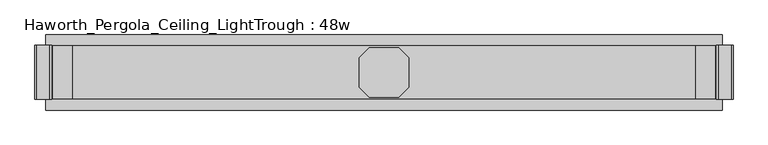
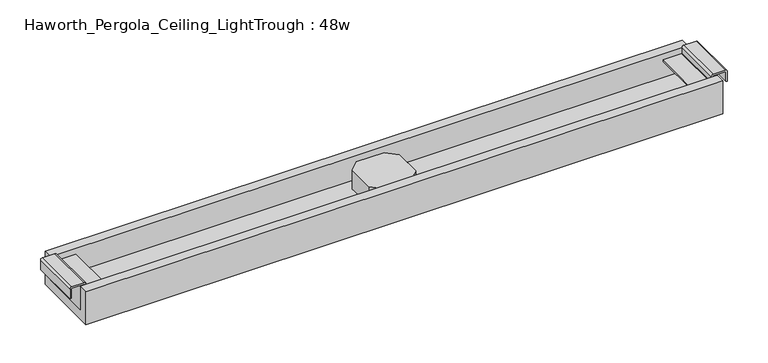
"""IFC4 building model written with IfcOpenShell, lengths in millimetres: furniture geometry, Haworth_Pergola_Ceiling_LightTrough : 48w."""

import ifcopenshell
import ifcopenshell.guid

model = None  # the IFC model being written
_history = None  # IfcOwnerHistory: only IFC2X3 demands one
_inside = {}  # id of a spatial element -> (the spatial element, [elements in it])
_under = {}  # id of a project, library or spatial element -> (it, [spatial elements below it])
_declared = {}  # id of a project -> (the project, [libraries it declares])
_typed = {}  # id of a type object -> (the type object, [elements of that type])
_made_of = {}  # id of a material, layer set ... -> (it, [elements and type objects made of it])


def new_model(schema):
    """Start an empty IFC model of exactly this schema.

    Asked for "IFC4X3", IfcOpenShell would pick the latest addendum, in which some entities
    have other attributes; the version numbers below select the first issue.
    IFC2X3 requires an IfcOwnerHistory on every rooted entity: one is made here for all.
    """
    global model, _history
    if schema == "IFC4X3":
        model = ifcopenshell.file(schema_version=(4, 3, 0, 0))
    else:
        model = ifcopenshell.file(schema=schema)
    _inside.clear()
    _under.clear()
    _declared.clear()
    _typed.clear()
    _made_of.clear()
    _history = None
    if model.schema == "IFC2X3":
        org = make("IfcOrganization", Name="unknown")
        user = make(
            "IfcPersonAndOrganization",
            ThePerson=make("IfcPerson", FamilyName="unknown"),
            TheOrganization=org,
        )
        app = make(
            "IfcApplication",
            ApplicationDeveloper=org,
            Version="unknown",
            ApplicationFullName="unknown",
            ApplicationIdentifier="unknown",
        )
        _history = make(
            "IfcOwnerHistory",
            OwningUser=user,
            OwningApplication=app,
            ChangeAction="ADDED",
            CreationDate=0,
        )
    return model


def make(cls, **values):
    """One entity of the class cls with the attributes given. An attribute that is None is left unset."""
    return model.create_entity(
        cls, **{name: value for name, value in values.items() if value is not None}
    )


def rooted(cls, **values):
    """An entity with a GlobalId (a new one), such as an element, a storey or a relation."""
    return make(cls, GlobalId=ifcopenshell.guid.new(), OwnerHistory=_history, **values)


def si_unit(unit_type, name, prefix=None):
    """IfcSIUnit, for example si_unit("LENGTHUNIT", "METRE", prefix="MILLI")."""
    return make("IfcSIUnit", UnitType=unit_type, Prefix=prefix, Name=name)


def assignment(units):
    """IfcUnitAssignment: the units of a project."""
    return None if units is None else make("IfcUnitAssignment", Units=units)


def point(xyz):
    """IfcCartesianPoint."""
    return None if xyz is None else make("IfcCartesianPoint", Coordinates=xyz)


def direction(xyz):
    """IfcDirection."""
    return None if xyz is None else make("IfcDirection", DirectionRatios=xyz)


def frame(location, z_axis=None, x_axis=None):
    """IfcAxis2Placement3D, a coordinate frame: its origin and axes. An axis left out is left unset."""
    return make(
        "IfcAxis2Placement3D",
        Location=point(location),
        Axis=direction(z_axis),
        RefDirection=direction(x_axis),
    )


def frame_2d(location, x_axis=None):
    """IfcAxis2Placement2D, a coordinate frame in the plane: its origin and x axis."""
    return make(
        "IfcAxis2Placement2D", Location=point(location), RefDirection=direction(x_axis)
    )


def origin():
    """The frame at (0, 0, 0) with its axes left unset."""
    return frame((0.0, 0.0, 0.0))


def place(relative_to, where):
    """IfcLocalPlacement: puts the frame where relative to a parent placement (None: the world)."""
    return make(
        "IfcLocalPlacement", PlacementRelTo=relative_to, RelativePlacement=where
    )


def context(
    kind, dimensions, precision=None, world=None, true_north=None, identifier=None
):
    """IfcGeometricRepresentationContext, for example the 3D "Model" context."""
    return make(
        "IfcGeometricRepresentationContext",
        ContextIdentifier=identifier,
        ContextType=kind,
        CoordinateSpaceDimension=dimensions,
        Precision=precision,
        WorldCoordinateSystem=world,
        TrueNorth=true_north,
    )


def project(units=None, contexts=None):
    """IfcProject with its units and contexts."""
    return rooted(
        "IfcProject",
        Name="project",
        RepresentationContexts=contexts,
        UnitsInContext=assignment(units),
    )


def spatial(cls, under=None, at=None, **own):
    """A site, building, storey or space (cls), placed at a placement, below another one or the project."""
    s = rooted(cls, ObjectPlacement=at, **own)
    if under is not None:
        _under.setdefault(under.id(), (under, []))[1].append(s)
    return s


def polyline(points):
    """IfcPolyline through the points."""
    return make("IfcPolyline", Points=[point(p) for p in points])


def circle_curve(where, radius):
    """IfcCircle in the frame where."""
    return make("IfcCircle", Position=where, Radius=radius)


def trimmed(basis, trim1, trim2, sense, master):
    """IfcTrimmedCurve: the piece of a basis curve between two trims."""
    return make(
        "IfcTrimmedCurve",
        BasisCurve=basis,
        Trim1=trim1,
        Trim2=trim2,
        SenseAgreement=sense,
        MasterRepresentation=master,
    )


def segment(curve, same_sense, transition):
    """IfcCompositeCurveSegment."""
    return make(
        "IfcCompositeCurveSegment",
        Transition=transition,
        SameSense=same_sense,
        ParentCurve=curve,
    )


def composite_curve(segments, self_intersect=None):
    """IfcCompositeCurve: segments joined end to end."""
    return make("IfcCompositeCurve", Segments=segments, SelfIntersect=self_intersect)


def outline(outer, holes=None, kind="AREA"):
    """IfcArbitraryClosedProfileDef: a profile drawn as a closed curve; with holes, ...WithVoids."""
    if holes is None:
        return make("IfcArbitraryClosedProfileDef", ProfileType=kind, OuterCurve=outer)
    return make(
        "IfcArbitraryProfileDefWithVoids",
        ProfileType=kind,
        OuterCurve=outer,
        InnerCurves=holes,
    )


def extrude(swept, where, along, depth):
    """IfcExtrudedAreaSolid: the profile swept, set in the frame where, extruded along a direction by depth."""
    return make(
        "IfcExtrudedAreaSolid",
        SweptArea=swept,
        Position=where,
        ExtrudedDirection=direction(along),
        Depth=depth,
    )


def shape(context_of_items, identifier, shape_type, items):
    """IfcShapeRepresentation: the items that make up one representation, for example the "Body"."""
    return make(
        "IfcShapeRepresentation",
        ContextOfItems=context_of_items,
        RepresentationIdentifier=identifier,
        RepresentationType=shape_type,
        Items=items,
    )


def source(mapping_origin, context_of_items, identifier, shape_type, items):
    """IfcRepresentationMap: a shape defined once, which mapped items show again and again."""
    return make(
        "IfcRepresentationMap",
        MappingOrigin=mapping_origin,
        MappedRepresentation=shape(context_of_items, identifier, shape_type, items),
    )


def transform(
    local_origin,
    x_axis=None,
    y_axis=None,
    z_axis=None,
    scale=None,
    scale2=None,
    scale3=None,
    uniform=True,
):
    """IfcCartesianTransformationOperator3D, or its non-uniform kind. x_axis, y_axis, z_axis: its Axis1, 2, 3."""
    if uniform:
        return make(
            "IfcCartesianTransformationOperator3D",
            Axis1=direction(x_axis),
            Axis2=direction(y_axis),
            LocalOrigin=point(local_origin),
            Scale=scale,
            Axis3=direction(z_axis),
        )
    return make(
        "IfcCartesianTransformationOperator3DnonUniform",
        Axis1=direction(x_axis),
        Axis2=direction(y_axis),
        LocalOrigin=point(local_origin),
        Scale=scale,
        Axis3=direction(z_axis),
        Scale2=scale2,
        Scale3=scale3,
    )


def mapped(mapping_source, mapping_target):
    """IfcMappedItem: shows the shape of a source again, moved by a transform."""
    return make(
        "IfcMappedItem", MappingSource=mapping_source, MappingTarget=mapping_target
    )


def made_of(thing, what):
    """Note that an element or type object is made of a material, layer set ...; save() writes the relation."""
    if what is not None:
        _made_of.setdefault(what.id(), (what, []))[1].append(thing)
    return thing


def element(
    cls,
    number,
    at=None,
    inside=None,
    cuts=None,
    type_object=None,
    material=None,
    context=None,
    identifier="Body",
    shape_type=None,
    held_by="IfcProductDefinitionShape",
    body=None,
    shapes=None,
    **own,
):
    """One element of the class cls, such as IfcWall. Its Tag is "e" and its number.

    at: its placement. inside: the storey or other place that contains it. cuts: it is an
    opening in that element (IfcRelVoidsElement). A single representation is given by context,
    identifier, shape_type and body (its items); several are given by shapes. held_by: the class
    of the entity that holds the representations. save() writes the other relations.
    """
    e = rooted(cls, Tag="e%d" % number, ObjectPlacement=at, **own)
    if body is not None:
        shapes = [shape(context, identifier, shape_type, body)]
    if shapes is not None:
        e.Representation = make(held_by, Representations=shapes)
    if inside is not None:
        _inside.setdefault(inside.id(), (inside, []))[1].append(e)
    if cuts is not None:
        rooted(
            "IfcRelVoidsElement", RelatingBuildingElement=cuts, RelatedOpeningElement=e
        )
    if type_object is not None:
        _typed.setdefault(type_object.id(), (type_object, []))[1].append(e)
    return made_of(e, material)


def aggregate(whole, parts):
    """IfcRelAggregates: a whole, such as a stair, and the parts it consists of."""
    return rooted("IfcRelAggregates", RelatingObject=whole, RelatedObjects=parts)


def save(model, path):
    """Write the relations noted so far, then the file.

    IfcRelAggregates (storeys below a building ...), IfcRelContainedInSpatialStructure (elements
    in a storey), IfcRelDefinesByType, IfcRelAssociatesMaterial and IfcRelDeclares: one each for
    every whole, place, type object, material and project.
    """
    for whole, parts in _under.values():
        aggregate(whole, parts)
    for where, things in _inside.values():
        rooted(
            "IfcRelContainedInSpatialStructure",
            RelatedElements=things,
            RelatingStructure=where,
        )
    for kind, things in _typed.values():
        rooted("IfcRelDefinesByType", RelatedObjects=things, RelatingType=kind)
    for what, things in _made_of.values():
        rooted("IfcRelAssociatesMaterial", RelatedObjects=things, RelatingMaterial=what)
    for by, libraries in _declared.values():
        rooted("IfcRelDeclares", RelatingContext=by, RelatedDefinitions=libraries)
    model.write(path)


def haworth_pergola_ceiling_lighttrough_48w_9aef9a3a(model_context):
    return source(origin(), model_context, "Body", "SweptSolid", [
        extrude(outline(polyline([(-274.3580002, 26.8840513), (-256.2840485, 44.9580002), (-202.5159516, 44.9580002), (-184.4419998, 26.8840513), (-184.4419998, -26.8840485), (-202.5159516, -44.9580002), (-256.2840485, -44.9580002), (-274.3580002, -26.8840485), (-274.3580002, 26.8840513)])), frame((0.0, 0.0, 2389.4796), z_axis=(0.0, 0.0, 1.0), x_axis=(1.0, 0.0, 0.0)), (0.0, 0.0, 1.0), 38.0999994),
        extrude(outline(composite_curve([segment(polyline([(2418.3545999, 399.5534303), (2437.4045999, 399.5534303)]), True, "CONTINUOUS"), segment(trimmed(circle_curve(frame_2d((2437.4045999, 395.8934293)), 3.660001), [point((2437.4045999, 399.5534303))], [point((2441.0646008, 395.8934293))], False, "CARTESIAN"), True, "CONTINUOUS"), segment(polyline([(2441.0646008, 395.8934293), (2441.0646008, 372.4934303)]), True, "CONTINUOUS"), segment(trimmed(circle_curve(frame_2d((2437.0478931, 372.8670697)), 4.0340485), [point((2441.0646008, 372.4934303))], [point((2437.0478931, 368.8330212))], False, "CARTESIAN"), True, "CONTINUOUS"), segment(polyline([(2437.0478931, 368.8330212), (2426.6645986, 368.8330212), (2425.6646, 367.8330226), (2425.6646, 332.3434301), (2423.0046, 332.3434301), (2423.0046, 367.8334301), (2423.0046, 378.2999999), (2389.4796, 378.2999999), (2389.4796, 380.2), (2437.0478931, 380.2), (2437.0478931, 378.2999999), (2426.6645986, 378.2999999), (2426.6645986, 371.49343), (2437.0478931, 371.49343), (2438.4045979, 372.4934303), (2438.4045979, 395.8934316), (2437.4045999, 396.8934296), (2418.3545999, 396.8934296), (2418.3545999, 399.5534303)]), True, "CONTINUOUS")], self_intersect=False)), frame((0.0, -48.650001, 0.0), z_axis=(0.0, 1.0, 0.0), x_axis=(0.0, 0.0, 1.0)), (0.0, 0.0, 1.0), 97.3000021),
        extrude(outline(composite_curve([segment(polyline([(2418.3545999, -858.3534303), (2418.3545999, -855.6934296), (2437.4045999, -855.6934296), (2438.4045979, -854.6934316), (2438.4045979, -831.2934303), (2437.0478931, -830.29343), (2426.6645986, -830.29343), (2426.6645986, -837.1), (2437.0478931, -837.1), (2437.0478931, -839.0), (2389.4796, -839.0), (2389.4796, -837.1), (2423.0046, -837.1), (2423.0046, -826.6334301), (2423.0046, -791.1434301), (2425.6646, -791.1434301), (2425.6646, -826.6330226), (2426.6645986, -827.6330212), (2437.0478931, -827.6330212)]), True, "CONTINUOUS"), segment(trimmed(circle_curve(frame_2d((2437.0478931, -831.6670697)), 4.0340485), [point((2437.0478931, -827.6330212))], [point((2441.0646008, -831.2934303))], False, "CARTESIAN"), True, "CONTINUOUS"), segment(polyline([(2441.0646008, -831.2934303), (2441.0646008, -854.6934294)]), True, "CONTINUOUS"), segment(trimmed(circle_curve(frame_2d((2437.4045999, -854.6934294)), 3.660001), [point((2441.0646008, -854.6934294))], [point((2437.4045999, -858.3534303))], False, "CARTESIAN"), True, "CONTINUOUS"), segment(polyline([(2437.4045999, -858.3534303), (2418.3545999, -858.3534303)]), True, "CONTINUOUS")], self_intersect=False)), frame((0.0, -48.650001, 0.0), z_axis=(0.0, 1.0, 0.0), x_axis=(0.0, 0.0, 1.0)), (0.0, 0.0, 1.0), 97.3000021),
        extrude(outline(polyline([(67.700001, 2370.4296), (-67.700001, 2370.4296), (-67.700001, 2437.0478931), (-48.650001, 2437.0478931), (-48.650001, 2389.4796), (48.650001, 2389.4796), (48.650001, 2437.0478931), (67.700001, 2437.0478931), (67.700001, 2370.4296)])), frame((-839.0, 0.0, 0.0), z_axis=(1.0, 0.0, 0.0), x_axis=(0.0, 1.0, 0.0)), (0.0, 0.0, 1.0), 1219.2),
    ])


if __name__ == "__main__":
    model = new_model("IFC4")
    model_context = context("Model", 3, world=origin())
    ifc_project = project(units=[si_unit("LENGTHUNIT", "METRE", prefix="MILLI")], contexts=[model_context])
    site = spatial("IfcSite", under=ifc_project)
    building = spatial("IfcBuilding", under=site)
    placement = place(None, origin())
    haworth_pergola_ceiling_lighttrough_48w_shape = haworth_pergola_ceiling_lighttrough_48w_9aef9a3a(model_context)
    element("IfcFurniture", 1, ObjectType="Haworth_Pergola_Ceiling_LightTrough : 48w", at=placement, inside=building, context=model_context, shape_type="MappedRepresentation", body=[
        mapped(haworth_pergola_ceiling_lighttrough_48w_shape, transform((0.0, 0.0, 0.0), x_axis=(1.0, 0.0, 0.0), y_axis=(0.0, 1.0, 0.0), z_axis=(0.0, 0.0, 1.0))),
    ])
    save(model, "model.ifc")
